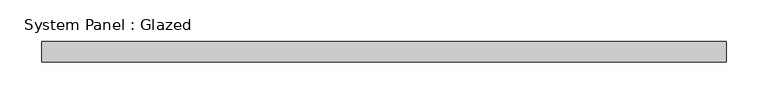
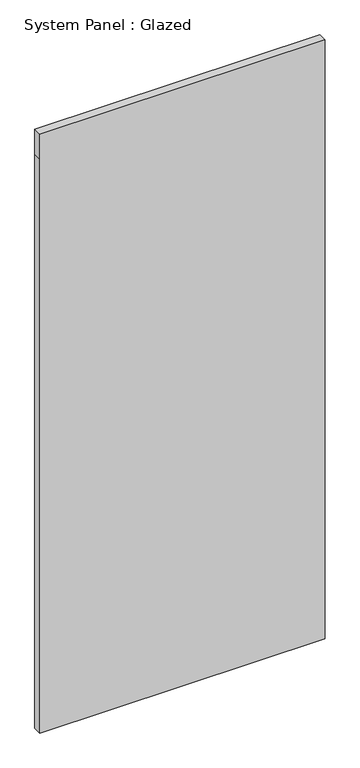
"""IFC4 building model written with IfcOpenShell, lengths in millimetres: plate geometry, System Panel : Glazed."""

from ifc_helpers import new_model, si_unit, frame, origin, place, context, project, spatial, polyline, outline, extrude, source, transform, mapped, element, save


def system_panel_glazed_4543a5c1(model_context):
    return source(origin(), model_context, "Body", "SweptSolid", [
        extrude(outline(polyline([(0.0, -412.5), (0.0, 412.5), (1753.3333333, 412.5), (1828.3333333, 412.5), (1828.3333333, -412.5), (1753.3333333, -412.5), (0.0, -412.5)])), frame((0.0, -49.5, 0.0), z_axis=(0.0, 1.0, 0.0), x_axis=(0.0, 0.0, 1.0)), (0.0, 0.0, 1.0), 25.0),
    ])


if __name__ == "__main__":
    model = new_model("IFC4")
    model_context = context("Model", 3, world=origin())
    ifc_project = project(units=[si_unit("LENGTHUNIT", "METRE", prefix="MILLI")], contexts=[model_context])
    site = spatial("IfcSite", under=ifc_project)
    building = spatial("IfcBuilding", under=site)
    placement = place(None, origin())
    system_panel_glazed_shape = system_panel_glazed_4543a5c1(model_context)
    element("IfcPlate", 1, ObjectType="System Panel : Glazed", at=placement, inside=building, context=model_context, shape_type="MappedRepresentation", body=[
        mapped(system_panel_glazed_shape, transform((0.0, 0.0, 0.0), x_axis=(1.0, 0.0, 0.0), y_axis=(0.0, 1.0, 0.0), z_axis=(0.0, 0.0, 1.0))),
    ])
    save(model, "model.ifc")
